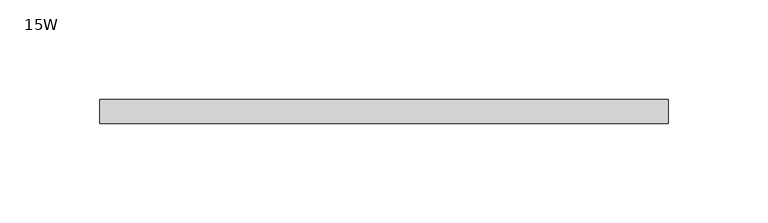
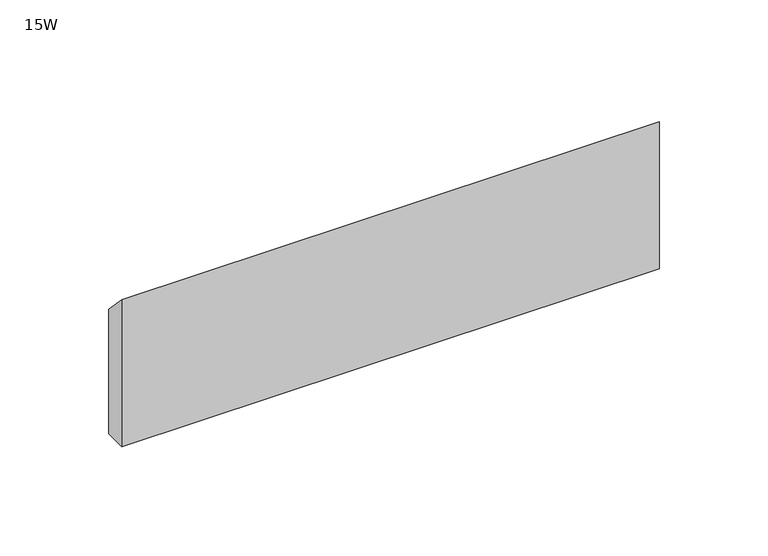
"""IFC4 building model written with IfcOpenShell, lengths in millimetres: furniture geometry, 15W."""

from ifc_helpers import new_model, si_unit, frame, origin, place, context, project, spatial, polyline, outline, extrude, source, transform, mapped, element, save


def furniture_15w_385df959(model_context):
    return source(origin(), model_context, "Body", "SweptSolid", [
        extrude(outline(polyline([(-11.938, 628.65), (-11.938, 711.2), (0.0, 698.5), (0.0, 628.65), (-11.938, 628.65)])), frame((48.006, 0.0, 0.0), z_axis=(1.0, 0.0, 0.0), x_axis=(0.0, 1.0, 0.0)), (0.0, 0.0, 1.0), 284.988),
    ])


if __name__ == "__main__":
    model = new_model("IFC4")
    model_context = context("Model", 3, world=origin())
    ifc_project = project(units=[si_unit("LENGTHUNIT", "METRE", prefix="MILLI")], contexts=[model_context])
    site = spatial("IfcSite", under=ifc_project)
    building = spatial("IfcBuilding", under=site)
    placement = place(None, origin())
    furniture_15w_shape = furniture_15w_385df959(model_context)
    element("IfcFurniture", 1, ObjectType="15W", at=placement, inside=building, context=model_context, shape_type="MappedRepresentation", body=[
        mapped(furniture_15w_shape, transform((0.0, 0.0, 0.0), x_axis=(1.0, 0.0, 0.0), y_axis=(0.0, 1.0, 0.0), z_axis=(0.0, 0.0, 1.0))),
    ])
    save(model, "model.ifc")
